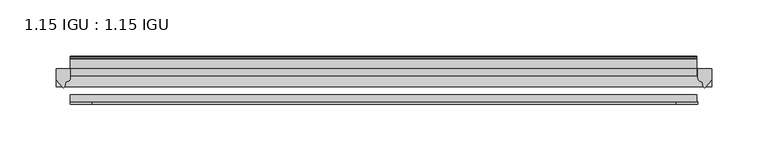
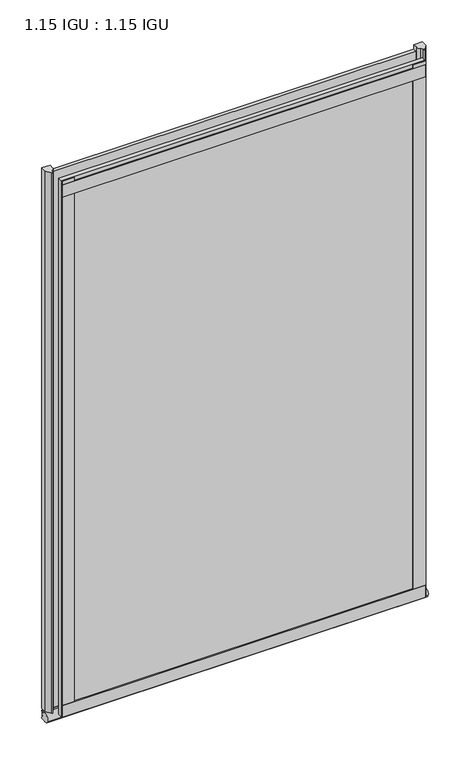
"""IFC4 building model written with IfcOpenShell, lengths in millimetres: plate geometry, 1.15 IGU : 1.15 IGU."""

from ifc_helpers import new_model, si_unit, point, frame, frame_2d, origin, place, context, project, spatial, polyline, circle_curve, ellipse_curve, trimmed, segment, composite_curve, outline, extrude, source, transform, mapped, element, save
from ifc_brep_helpers import plane_surface, revolved_surface, extruded_surface, advanced_brep


def plate_1_15_igu_1_15_igu_d9bd443c(model_context):
    return source(origin(), model_context, "Body", "SolidModel", [
        extrude(outline(polyline([(247.1463873, 0.0), (247.1463873, -6.2992), (-311.2305873, -6.2992), (-311.2305873, 0.0), (247.1463873, 0.0)])), frame((0.0, 0.0, -19.05), z_axis=(0.0, 0.0, 1.0), x_axis=(1.0, 0.0, 0.0)), (0.0, 0.0, 1.0), 869.9368072),
        extrude(outline(polyline([(-311.2305873, -23.1648), (247.1463873, -23.1648), (247.1463873, -29.464), (-311.2305873, -29.464), (-311.2305873, -23.1648)])), frame((0.0, 0.0, -19.05), z_axis=(0.0, 0.0, 1.0), x_axis=(1.0, 0.0, 0.0)), (0.0, 0.0, 1.0), 869.9368072),
        advanced_brep(
        [(260.4305873, -2.9334208, -29.3692082), (260.4305873, -15.7658436, -30.8313288), (260.4305873, -6.7904952, -34.925), (260.4305873, 0.0, -34.925), (260.4305873, 0.0, -22.225), (260.4305873, -2.5187477, -22.225), (-323.9305873, -2.9073519, -29.3720514), (-323.9305873, -2.5187477, -22.225), (-323.9305873, 0.0, -22.225), (-323.9305873, 0.0, -34.925), (-323.9305873, -6.7904952, -34.925), (-323.9305873, -15.7658436, -30.8313288)],
        [
            (0, 1, ellipse_curve(frame((260.4305873, -9.5065066, -28.575), z_axis=(1.0, 0.0, 0.0), x_axis=(0.0, 0.0, -1.0)), 6.9638038, 6.6162554)),
            (1, 2, ellipse_curve(frame((260.4305873, -9.5065066, -28.575), z_axis=(1.0, 0.0, 0.0), x_axis=(0.0, 0.0, -1.0)), 6.9638038, 6.6162554)),
            (2, 3),
            (3, 4, circle_curve(frame((260.4305873, 24.1576838, -28.575), z_axis=(-1.0, 0.0, 0.0), x_axis=(0.0, 0.0, 1.0)), 24.9783143)),
            (4, 5),
            (5, 0, circle_curve(frame((260.4305873, -68.4358767, -22.225), z_axis=(-1.0, 0.0, 0.0), x_axis=(0.0, 0.0, 1.0)), 65.917129)),
            (6, 7, circle_curve(frame((-323.9305873, -68.4358767, -22.225), z_axis=(1.0, 0.0, 0.0), x_axis=(0.0, 0.0, 1.0)), 65.917129)),
            (7, 8),
            (8, 9, circle_curve(frame((-323.9305873, 24.1576838, -28.575), z_axis=(1.0, 0.0, 0.0), x_axis=(0.0, 0.0, 1.0)), 24.9783143)),
            (9, 10),
            (10, 11, ellipse_curve(frame((-323.9305873, -9.5065066, -28.575), z_axis=(-1.0, 0.0, 0.0), x_axis=(0.0, 0.0, -1.0)), 6.9638038, 6.6162554)),
            (11, 6, ellipse_curve(frame((-323.9305873, -9.5065066, -28.575), z_axis=(-1.0, 0.0, 0.0), x_axis=(0.0, 0.0, -1.0)), 6.9638038, 6.6162554)),
            (0, 6),
            (11, 1),
            (10, 2),
            (9, 3),
            (8, 4),
            (7, 5),
        ],
        [
            plane_surface(frame((260.4305873, 0.0, -28.575), z_axis=(1.0, 0.0, 0.0), x_axis=(0.0, 1.0, 0.0))),
            plane_surface(frame((-323.9305873, 0.0, -28.575), z_axis=(-1.0, 0.0, 0.0), x_axis=(0.0, 1.0, 0.0))),
            extruded_surface(trimmed(ellipse_curve(frame((-323.9305873, -9.5065066, -28.575), z_axis=(1.0, 0.0, 0.0), x_axis=(0.0, 0.0, -1.0)), 6.9638038, 6.6162554), [point((-323.9305873, -2.9334208, -29.3692082))], [point((-323.9305873, -15.7658436, -30.8313288))], True, "CARTESIAN"), (584.3611746, 0.0, 0.0), 584.3611746),
            extruded_surface(trimmed(ellipse_curve(frame((-323.9305873, -9.5065066, -28.575), z_axis=(1.0, 0.0, 0.0), x_axis=(0.0, 0.0, -1.0)), 6.9638038, 6.6162554), [point((-323.9305873, -15.7658436, -30.8313288))], [point((-323.9305873, -6.7904952, -34.925))], True, "CARTESIAN"), (584.3611746, 0.0, 0.0), 584.3611746),
            plane_surface(frame((260.4305873, -6.7904952, -34.925), z_axis=(0.0, 0.0, -1.0), x_axis=(-1.0, 0.0, 0.0))),
            revolved_surface(polyline([(-323.9305873, 24.1576838, -3.5966856999999983), (260.4305873, 24.1576838, -3.5966856999999983)]), (260.4305873, 24.1576838, -28.575), (-1.0, 0.0, 0.0)),
            plane_surface(frame((260.4305873, 0.0, -22.225), z_axis=(0.0, 0.0, 1.0), x_axis=(-1.0, 0.0, 0.0))),
            revolved_surface(polyline([(-323.9305873, -68.4358767, 43.692129), (260.4305873, -68.4358767, 43.692129)]), (260.4305873, -68.4358767, -22.225), (-1.0, 0.0, 0.0)),
        ],
        [
            (0, [[1, 2, 3, 4, 5, 6]]),
            (1, [[7, 8, 9, 10, 11, 12]]),
            (2, [[-1, 13, -12, 14]]),
            (3, [[-2, -14, -11, 15]]),
            (4, [[-3, -15, -10, 16]]),
            (5, [[-4, -16, -9, 17]]),
            (6, [[-5, -17, -8, 18]]),
            (7, [[-6, -18, -7, -13]]),
        ],
    ),
        extrude(outline(composite_curve([segment(polyline([(260.4305873, 0.0), (260.4305873, -9.7395025), (254.8643564, -16.3730781)]), True, "CONTINUOUS"), segment(trimmed(circle_curve(frame_2d((253.9106815, -15.7728374)), 1.1268473), [point((254.8643564, -16.3730781))], [point((252.8097285, -16.0130197))], False, "CARTESIAN"), True, "CONTINUOUS"), segment(polyline([(252.8097285, -16.0130197), (251.8295371, -11.7377885)]), True, "CONTINUOUS"), segment(trimmed(circle_curve(frame_2d((251.7020853, -7.7683362)), 3.9714979), [point((251.8295371, -11.7377885))], [point((247.7307659, -7.8060014))], False, "CARTESIAN"), True, "CONTINUOUS"), segment(polyline([(247.7307659, -7.8060014), (247.7307659, 0.0), (260.4305873, 0.0)]), True, "CONTINUOUS")], self_intersect=False)), frame((0.0, 0.0, -19.05), z_axis=(0.0, 0.0, 1.0), x_axis=(1.0, 0.0, 0.0)), (0.0, 0.0, 1.0), 877.0742072),
        extrude(outline(composite_curve([segment(polyline([(-311.2305873, 8.8e-06), (-311.2305873, -7.7683362)]), True, "CONTINUOUS"), segment(trimmed(circle_curve(frame_2d((-315.2020853, -7.7683362)), 3.9714979), [point((-311.2305873, -7.7683362))], [point((-315.3295371, -11.7377885))], False, "CARTESIAN"), True, "CONTINUOUS"), segment(polyline([(-315.3295371, -11.7377885), (-316.3095716, -16.012436)]), True, "CONTINUOUS"), segment(trimmed(circle_curve(frame_2d((-317.4107806, -15.7723555)), 1.1270758), [point((-316.3095716, -16.012436))], [point((-318.36462, -16.372764))], False, "CARTESIAN"), True, "CONTINUOUS"), segment(polyline([(-318.36462, -16.372764), (-323.9305873, -9.7395025), (-323.9305873, 8.8e-06), (-311.2305873, 8.8e-06)]), True, "CONTINUOUS")], self_intersect=False)), frame((0.0, 0.0, -19.05), z_axis=(0.0, 0.0, 1.0), x_axis=(1.0, 0.0, 0.0)), (0.0, 0.0, 1.0), 877.0742072),
        extrude(outline(polyline([(-311.2305873, -31.75), (-311.2305873, -29.464), (247.1463873, -29.464), (247.1463873, -31.75), (-311.2305873, -31.75)])), frame((0.0, 0.0, -19.05), z_axis=(0.0, 0.0, 1.0), x_axis=(1.0, 0.0, 0.0)), (0.0, 0.0, 1.0), 19.05),
        extrude(outline(composite_curve([segment(polyline([(8.509, 840.7300284), (8.509, 838.6980284), (6.35, 838.6980284), (6.35, 833.3640284), (8.9492698, 833.3640284)]), True, "CONTINUOUS"), segment(trimmed(circle_curve(frame_2d((8.208689, 831.8368072)), 1.697311), [point((8.9492698, 833.3640284))], [point((8.962411, 830.3160284))], False, "CARTESIAN"), True, "CONTINUOUS"), segment(polyline([(8.962411, 830.3160284), (6.35, 830.3160284), (6.35, 825.4868072), (11.1252, 825.4868072), (11.1252, 824.5978072)]), True, "CONTINUOUS"), segment(trimmed(circle_curve(frame_2d((10.1092, 824.5978072)), 1.016), [point((11.1252, 824.5978072))], [point((10.1092, 823.5818072))], False, "CARTESIAN"), True, "CONTINUOUS"), segment(trimmed(circle_curve(frame_2d((10.1092, 804.1707318)), 19.4110754), [point((10.1092, 823.5818072))], [point((0.0, 820.7416075))], True, "CARTESIAN"), True, "CONTINUOUS"), segment(polyline([(0.0, 820.7416075), (0.0, 840.7300284), (8.509, 840.7300284)]), True, "CONTINUOUS")], self_intersect=False)), frame((-311.2305873, 0.0, 0.0), z_axis=(1.0, 0.0, 0.0), x_axis=(0.0, 1.0, 0.0)), (0.0, 0.0, 1.0), 558.3769747),
        extrude(outline(polyline([(-311.2305873, -31.75), (-311.2305873, -29.464), (247.1463873, -29.464), (247.1463873, -31.75), (-311.2305873, -31.75)])), frame((0.0, 0.0, 825.4868072), z_axis=(0.0, 0.0, 1.0), x_axis=(1.0, 0.0, 0.0)), (0.0, 0.0, 1.0), 19.05),
        extrude(outline(polyline([(228.6805873, -29.464), (247.7305873, -29.464), (247.7305873, -31.75), (228.6805873, -31.75), (228.6805873, -29.464)])), frame((0.0, 0.0, -19.05), z_axis=(0.0, 0.0, 1.0), x_axis=(1.0, 0.0, 0.0)), (0.0, 0.0, 1.0), 869.9368072),
        extrude(outline(polyline([(-311.2305873, -31.75), (-311.2305873, -29.464), (-292.1805873, -29.464), (-292.1805873, -31.75), (-311.2305873, -31.75)])), frame((0.0, 0.0, -19.05), z_axis=(0.0, 0.0, 1.0), x_axis=(1.0, 0.0, 0.0)), (0.0, 0.0, 1.0), 869.9368072),
    ])


if __name__ == "__main__":
    model = new_model("IFC4")
    model_context = context("Model", 3, world=origin())
    ifc_project = project(units=[si_unit("LENGTHUNIT", "METRE", prefix="MILLI")], contexts=[model_context])
    site = spatial("IfcSite", under=ifc_project)
    building = spatial("IfcBuilding", under=site)
    placement = place(None, origin())
    plate_1_15_igu_1_15_igu_shape = plate_1_15_igu_1_15_igu_d9bd443c(model_context)
    element("IfcPlate", 1, ObjectType="1.15 IGU : 1.15 IGU", at=placement, inside=building, context=model_context, shape_type="MappedRepresentation", body=[
        mapped(plate_1_15_igu_1_15_igu_shape, transform((0.0, 0.0, 0.0), x_axis=(1.0, 0.0, 0.0), y_axis=(0.0, 1.0, 0.0), z_axis=(0.0, 0.0, 1.0))),
    ])
    save(model, "model.ifc")
